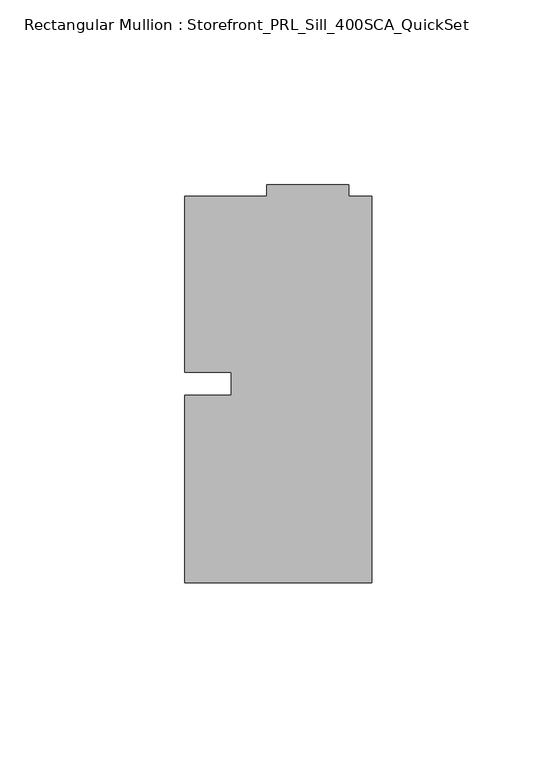
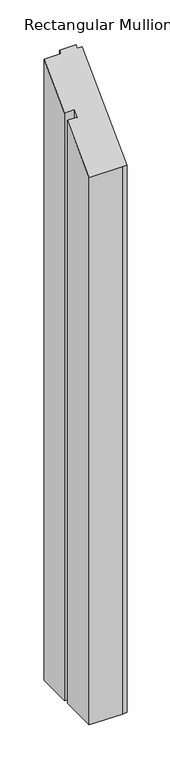
"""IFC4 building model written with IfcOpenShell, lengths in millimetres: member geometry, Rectangular Mullion : Storefront_PRL_Sill_400SCA_QuickSet."""

from ifc_helpers import new_model, si_unit, origin, place, context, project, spatial, faceted_brep, source, transform, mapped, element, save


def rectangular_mullion_storefront_prl_sill_400sca_quickset_de71126a(model_context):
    return source(origin(), model_context, "Body", "Brep", [
        faceted_brep([(-38.1, -3.175, -830.7916667), (-38.1, 3.175, -830.7916667), (-50.8, 3.175, -830.7916667), (-50.8, 50.8, -830.7916667), (-28.575, 50.8, -830.7916667), (-28.575, 53.975, -830.7916667), (-6.35, 53.975, -830.7916667), (-6.35, 50.8, -830.7916667), (0.0, 50.8, -830.7916667), (0.0, -53.975, -830.7916667), (-6.35, -53.975, -830.7916667), (-50.8, -53.975, -830.7916667), (-50.8, -3.175, -830.7916667), (-50.8, -3.175, -3.175), (-38.1, -3.175, -3.175), (-50.8, -53.975, -53.975), (-6.35, -53.975, -53.975), (0.0, -53.975, -53.975), (0.0, 50.8, 50.8), (-6.35, 50.8, 50.8), (-6.35, 53.975, 53.975), (-28.575, 53.975, 53.975), (-28.575, 50.8, 50.8), (-50.8, 50.8, 50.8), (-50.8, 3.175, 3.175), (-38.1, 3.175, 3.175)], [[[0, 1, 2, 3, 4, 5, 6, 7, 8, 9, 10, 11, 12]], [[13, 14, 0, 12]], [[15, 13, 12, 11]], [[16, 15, 11, 10]], [[17, 16, 10, 9]], [[18, 17, 9, 8]], [[19, 18, 8, 7]], [[20, 19, 7, 6]], [[21, 20, 6, 5]], [[22, 21, 5, 4]], [[23, 22, 4, 3]], [[24, 23, 3, 2]], [[25, 24, 2, 1]], [[14, 25, 1, 0]], [[14, 13, 15, 16, 17, 18, 19, 20, 21, 22, 23, 24, 25]]]),
    ])


if __name__ == "__main__":
    model = new_model("IFC4")
    model_context = context("Model", 3, world=origin())
    ifc_project = project(units=[si_unit("LENGTHUNIT", "METRE", prefix="MILLI")], contexts=[model_context])
    site = spatial("IfcSite", under=ifc_project)
    building = spatial("IfcBuilding", under=site)
    placement = place(None, origin())
    rectangular_mullion_storefront_prl_sill_400sca_quickset_shape = rectangular_mullion_storefront_prl_sill_400sca_quickset_de71126a(model_context)
    element("IfcMember", 1, ObjectType="Rectangular Mullion : Storefront_PRL_Sill_400SCA_QuickSet", at=placement, inside=building, context=model_context, shape_type="MappedRepresentation", body=[
        mapped(rectangular_mullion_storefront_prl_sill_400sca_quickset_shape, transform((0.0, 0.0, 0.0), x_axis=(1.0, 0.0, 0.0), y_axis=(0.0, 1.0, 0.0), z_axis=(0.0, 0.0, 1.0))),
    ])
    save(model, "model.ifc")
